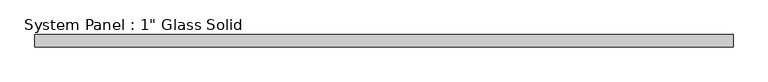
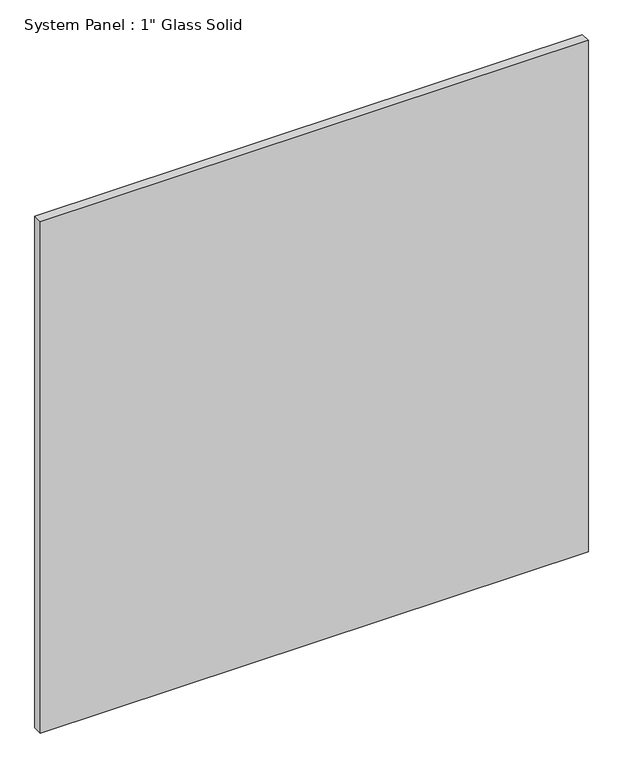
"""IFC4 building model written with IfcOpenShell, lengths in millimetres: plate geometry."""

from ifc_helpers import new_model, si_unit, origin, origin_with_axes, place, context, project, spatial, polyline, outline, extrude, source, transform, mapped, element, save


def plate_412d253f(model_context):
    return source(origin(), model_context, "Body", "SweptSolid", [
        extrude(outline(polyline([(721.2054024, -12.7), (-721.2054024, -12.7), (-721.2054024, 12.7), (721.2054024, 12.7), (721.2054024, -12.7)])), origin_with_axes(), (0.0, 0.0, 1.0), 1422.2911731),
    ])


if __name__ == "__main__":
    model = new_model("IFC4")
    model_context = context("Model", 3, world=origin())
    ifc_project = project(units=[si_unit("LENGTHUNIT", "METRE", prefix="MILLI")], contexts=[model_context])
    site = spatial("IfcSite", under=ifc_project)
    building = spatial("IfcBuilding", under=site)
    placement = place(None, origin())
    plate_shape = plate_412d253f(model_context)
    element("IfcPlate", 1, ObjectType="System Panel : 1\" Glass Solid", at=placement, inside=building, context=model_context, shape_type="MappedRepresentation", body=[
        mapped(plate_shape, transform((0.0, 0.0, 0.0), x_axis=(1.0, 0.0, 0.0), y_axis=(0.0, 1.0, 0.0), z_axis=(0.0, 0.0, 1.0))),
    ])
    save(model, "model.ifc")
